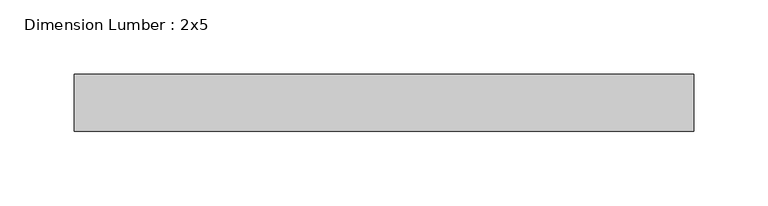
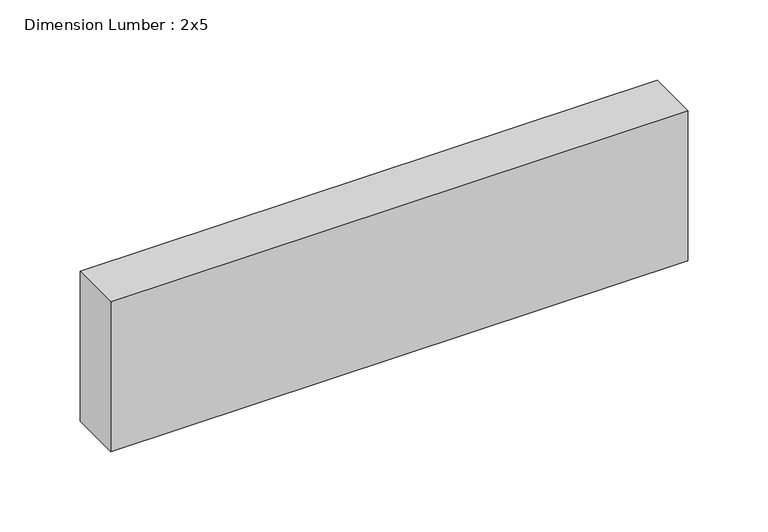
"""IFC4 building model written with IfcOpenShell, lengths in millimetres: beam geometry, Dimension Lumber : 2x5."""

from ifc_helpers import new_model, si_unit, frame, origin, place, context, project, spatial, polyline, outline, extrude, source, transform, mapped, element, save


def dimension_lumber_2x5_6b1f1155(model_context):
    return source(origin(), model_context, "Body", "SweptSolid", [
        extrude(outline(polyline([(207.8432417, 19.05), (207.8432417, -19.05), (-207.8432417, -19.05), (-207.8432417, 19.05), (207.8432417, 19.05)])), frame((0.0, 0.0, -57.15), z_axis=(0.0, 0.0, 1.0), x_axis=(1.0, 0.0, 0.0)), (0.0, 0.0, 1.0), 114.3),
    ])


if __name__ == "__main__":
    model = new_model("IFC4")
    model_context = context("Model", 3, world=origin())
    ifc_project = project(units=[si_unit("LENGTHUNIT", "METRE", prefix="MILLI")], contexts=[model_context])
    site = spatial("IfcSite", under=ifc_project)
    building = spatial("IfcBuilding", under=site)
    placement = place(None, origin())
    dimension_lumber_2x5_shape = dimension_lumber_2x5_6b1f1155(model_context)
    element("IfcBeam", 1, ObjectType="Dimension Lumber : 2x5", at=placement, inside=building, context=model_context, shape_type="MappedRepresentation", body=[
        mapped(dimension_lumber_2x5_shape, transform((0.0, 0.0, 0.0), x_axis=(1.0, 0.0, 0.0), y_axis=(0.0, 1.0, 0.0), z_axis=(0.0, 0.0, 1.0))),
    ])
    save(model, "model.ifc")
